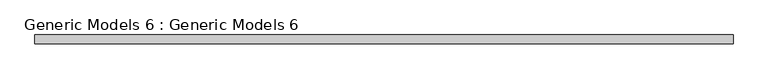
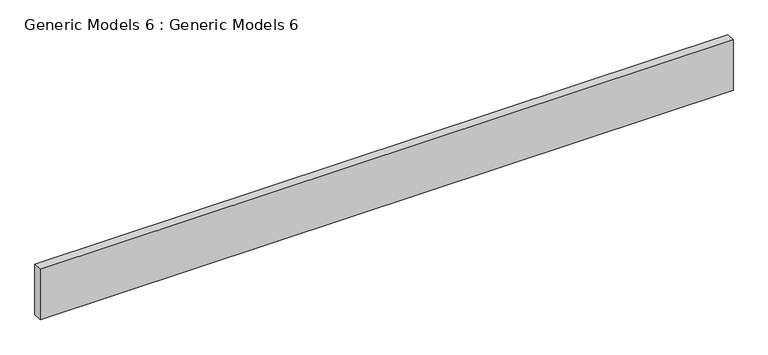
"""IFC4 building model written with IfcOpenShell, lengths in millimetres: proxy geometry, Generic Models 6 : Generic Models 6."""

import ifcopenshell
import ifcopenshell.guid

model = None  # the IFC model being written
_history = None  # IfcOwnerHistory: only IFC2X3 demands one
_inside = {}  # id of a spatial element -> (the spatial element, [elements in it])
_under = {}  # id of a project, library or spatial element -> (it, [spatial elements below it])
_declared = {}  # id of a project -> (the project, [libraries it declares])
_typed = {}  # id of a type object -> (the type object, [elements of that type])
_made_of = {}  # id of a material, layer set ... -> (it, [elements and type objects made of it])


def new_model(schema):
    """Start an empty IFC model of exactly this schema.

    Asked for "IFC4X3", IfcOpenShell would pick the latest addendum, in which some entities
    have other attributes; the version numbers below select the first issue.
    IFC2X3 requires an IfcOwnerHistory on every rooted entity: one is made here for all.
    """
    global model, _history
    if schema == "IFC4X3":
        model = ifcopenshell.file(schema_version=(4, 3, 0, 0))
    else:
        model = ifcopenshell.file(schema=schema)
    _inside.clear()
    _under.clear()
    _declared.clear()
    _typed.clear()
    _made_of.clear()
    _history = None
    if model.schema == "IFC2X3":
        org = make("IfcOrganization", Name="unknown")
        user = make(
            "IfcPersonAndOrganization",
            ThePerson=make("IfcPerson", FamilyName="unknown"),
            TheOrganization=org,
        )
        app = make(
            "IfcApplication",
            ApplicationDeveloper=org,
            Version="unknown",
            ApplicationFullName="unknown",
            ApplicationIdentifier="unknown",
        )
        _history = make(
            "IfcOwnerHistory",
            OwningUser=user,
            OwningApplication=app,
            ChangeAction="ADDED",
            CreationDate=0,
        )
    return model


def make(cls, **values):
    """One entity of the class cls with the attributes given. An attribute that is None is left unset."""
    return model.create_entity(
        cls, **{name: value for name, value in values.items() if value is not None}
    )


def rooted(cls, **values):
    """An entity with a GlobalId (a new one), such as an element, a storey or a relation."""
    return make(cls, GlobalId=ifcopenshell.guid.new(), OwnerHistory=_history, **values)


def si_unit(unit_type, name, prefix=None):
    """IfcSIUnit, for example si_unit("LENGTHUNIT", "METRE", prefix="MILLI")."""
    return make("IfcSIUnit", UnitType=unit_type, Prefix=prefix, Name=name)


def assignment(units):
    """IfcUnitAssignment: the units of a project."""
    return None if units is None else make("IfcUnitAssignment", Units=units)


def point(xyz):
    """IfcCartesianPoint."""
    return None if xyz is None else make("IfcCartesianPoint", Coordinates=xyz)


def direction(xyz):
    """IfcDirection."""
    return None if xyz is None else make("IfcDirection", DirectionRatios=xyz)


def frame(location, z_axis=None, x_axis=None):
    """IfcAxis2Placement3D, a coordinate frame: its origin and axes. An axis left out is left unset."""
    return make(
        "IfcAxis2Placement3D",
        Location=point(location),
        Axis=direction(z_axis),
        RefDirection=direction(x_axis),
    )


def origin():
    """The frame at (0, 0, 0) with its axes left unset."""
    return frame((0.0, 0.0, 0.0))


def place(relative_to, where):
    """IfcLocalPlacement: puts the frame where relative to a parent placement (None: the world)."""
    return make(
        "IfcLocalPlacement", PlacementRelTo=relative_to, RelativePlacement=where
    )


def context(
    kind, dimensions, precision=None, world=None, true_north=None, identifier=None
):
    """IfcGeometricRepresentationContext, for example the 3D "Model" context."""
    return make(
        "IfcGeometricRepresentationContext",
        ContextIdentifier=identifier,
        ContextType=kind,
        CoordinateSpaceDimension=dimensions,
        Precision=precision,
        WorldCoordinateSystem=world,
        TrueNorth=true_north,
    )


def project(units=None, contexts=None):
    """IfcProject with its units and contexts."""
    return rooted(
        "IfcProject",
        Name="project",
        RepresentationContexts=contexts,
        UnitsInContext=assignment(units),
    )


def spatial(cls, under=None, at=None, **own):
    """A site, building, storey or space (cls), placed at a placement, below another one or the project."""
    s = rooted(cls, ObjectPlacement=at, **own)
    if under is not None:
        _under.setdefault(under.id(), (under, []))[1].append(s)
    return s


def polyline(points):
    """IfcPolyline through the points."""
    return make("IfcPolyline", Points=[point(p) for p in points])


def outline(outer, holes=None, kind="AREA"):
    """IfcArbitraryClosedProfileDef: a profile drawn as a closed curve; with holes, ...WithVoids."""
    if holes is None:
        return make("IfcArbitraryClosedProfileDef", ProfileType=kind, OuterCurve=outer)
    return make(
        "IfcArbitraryProfileDefWithVoids",
        ProfileType=kind,
        OuterCurve=outer,
        InnerCurves=holes,
    )


def extrude(swept, where, along, depth):
    """IfcExtrudedAreaSolid: the profile swept, set in the frame where, extruded along a direction by depth."""
    return make(
        "IfcExtrudedAreaSolid",
        SweptArea=swept,
        Position=where,
        ExtrudedDirection=direction(along),
        Depth=depth,
    )


def shape(context_of_items, identifier, shape_type, items):
    """IfcShapeRepresentation: the items that make up one representation, for example the "Body"."""
    return make(
        "IfcShapeRepresentation",
        ContextOfItems=context_of_items,
        RepresentationIdentifier=identifier,
        RepresentationType=shape_type,
        Items=items,
    )


def source(mapping_origin, context_of_items, identifier, shape_type, items):
    """IfcRepresentationMap: a shape defined once, which mapped items show again and again."""
    return make(
        "IfcRepresentationMap",
        MappingOrigin=mapping_origin,
        MappedRepresentation=shape(context_of_items, identifier, shape_type, items),
    )


def transform(
    local_origin,
    x_axis=None,
    y_axis=None,
    z_axis=None,
    scale=None,
    scale2=None,
    scale3=None,
    uniform=True,
):
    """IfcCartesianTransformationOperator3D, or its non-uniform kind. x_axis, y_axis, z_axis: its Axis1, 2, 3."""
    if uniform:
        return make(
            "IfcCartesianTransformationOperator3D",
            Axis1=direction(x_axis),
            Axis2=direction(y_axis),
            LocalOrigin=point(local_origin),
            Scale=scale,
            Axis3=direction(z_axis),
        )
    return make(
        "IfcCartesianTransformationOperator3DnonUniform",
        Axis1=direction(x_axis),
        Axis2=direction(y_axis),
        LocalOrigin=point(local_origin),
        Scale=scale,
        Axis3=direction(z_axis),
        Scale2=scale2,
        Scale3=scale3,
    )


def mapped(mapping_source, mapping_target):
    """IfcMappedItem: shows the shape of a source again, moved by a transform."""
    return make(
        "IfcMappedItem", MappingSource=mapping_source, MappingTarget=mapping_target
    )


def made_of(thing, what):
    """Note that an element or type object is made of a material, layer set ...; save() writes the relation."""
    if what is not None:
        _made_of.setdefault(what.id(), (what, []))[1].append(thing)
    return thing


def element(
    cls,
    number,
    at=None,
    inside=None,
    cuts=None,
    type_object=None,
    material=None,
    context=None,
    identifier="Body",
    shape_type=None,
    held_by="IfcProductDefinitionShape",
    body=None,
    shapes=None,
    **own,
):
    """One element of the class cls, such as IfcWall. Its Tag is "e" and its number.

    at: its placement. inside: the storey or other place that contains it. cuts: it is an
    opening in that element (IfcRelVoidsElement). A single representation is given by context,
    identifier, shape_type and body (its items); several are given by shapes. held_by: the class
    of the entity that holds the representations. save() writes the other relations.
    """
    e = rooted(cls, Tag="e%d" % number, ObjectPlacement=at, **own)
    if body is not None:
        shapes = [shape(context, identifier, shape_type, body)]
    if shapes is not None:
        e.Representation = make(held_by, Representations=shapes)
    if inside is not None:
        _inside.setdefault(inside.id(), (inside, []))[1].append(e)
    if cuts is not None:
        rooted(
            "IfcRelVoidsElement", RelatingBuildingElement=cuts, RelatedOpeningElement=e
        )
    if type_object is not None:
        _typed.setdefault(type_object.id(), (type_object, []))[1].append(e)
    return made_of(e, material)


def aggregate(whole, parts):
    """IfcRelAggregates: a whole, such as a stair, and the parts it consists of."""
    return rooted("IfcRelAggregates", RelatingObject=whole, RelatedObjects=parts)


def save(model, path):
    """Write the relations noted so far, then the file.

    IfcRelAggregates (storeys below a building ...), IfcRelContainedInSpatialStructure (elements
    in a storey), IfcRelDefinesByType, IfcRelAssociatesMaterial and IfcRelDeclares: one each for
    every whole, place, type object, material and project.
    """
    for whole, parts in _under.values():
        aggregate(whole, parts)
    for where, things in _inside.values():
        rooted(
            "IfcRelContainedInSpatialStructure",
            RelatedElements=things,
            RelatingStructure=where,
        )
    for kind, things in _typed.values():
        rooted("IfcRelDefinesByType", RelatedObjects=things, RelatingType=kind)
    for what, things in _made_of.values():
        rooted("IfcRelAssociatesMaterial", RelatedObjects=things, RelatingMaterial=what)
    for by, libraries in _declared.values():
        rooted("IfcRelDeclares", RelatingContext=by, RelatedDefinitions=libraries)
    model.write(path)


def generic_models_6_generic_models_6_8a70d712(model_context):
    return source(origin(), model_context, "Body", "SweptSolid", [
        extrude(outline(polyline([(-897.111228, -31819.9202609), (-897.111228, -31794.5202609), (1094.0237164, -31794.5202609), (1094.0237164, -31819.9202609), (-897.111228, -31819.9202609)])), frame((0.0, 0.0, 31648.4), z_axis=(0.0, 0.0, 1.0), x_axis=(1.0, 0.0, 0.0)), (0.0, 0.0, 1.0), 152.4),
    ])


if __name__ == "__main__":
    model = new_model("IFC4")
    model_context = context("Model", 3, world=origin())
    ifc_project = project(units=[si_unit("LENGTHUNIT", "METRE", prefix="MILLI")], contexts=[model_context])
    site = spatial("IfcSite", under=ifc_project)
    building = spatial("IfcBuilding", under=site)
    placement = place(None, origin())
    generic_models_6_generic_models_6_shape = generic_models_6_generic_models_6_8a70d712(model_context)
    element("IfcBuildingElementProxy", 1, Name="Generic Models 6 : Generic Models 6", ObjectType="Generic Models 6 : Generic Models 6", at=placement, inside=building, context=model_context, shape_type="MappedRepresentation", body=[
        mapped(generic_models_6_generic_models_6_shape, transform((0.0, 0.0, 0.0), x_axis=(1.0, 0.0, 0.0), y_axis=(0.0, 1.0, 0.0), z_axis=(0.0, 0.0, 1.0))),
    ])
    save(model, "model.ifc")
